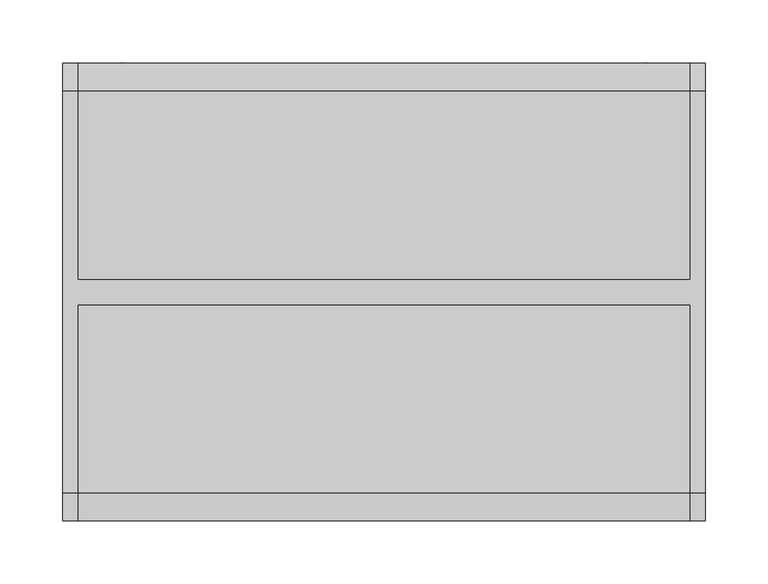
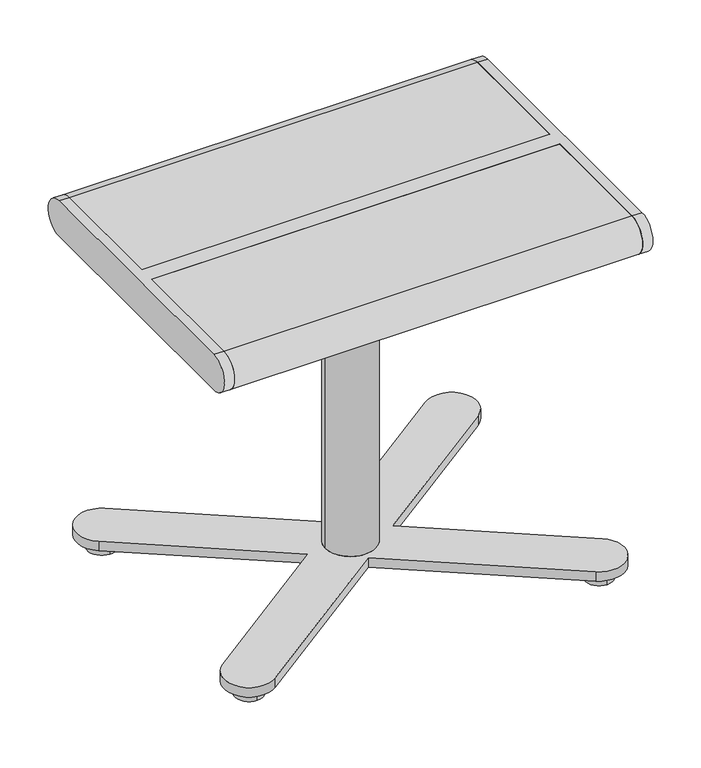
"""IFC4 building model written with IfcOpenShell, lengths in millimetres: furniture geometry."""

from ifc_helpers import new_model, si_unit, point, frame, frame_2d, origin, place, context, project, spatial, polyline, circle_curve, trimmed, segment, composite_curve, outline, extrude, source, transform, mapped, element, save
from ifc_brep_helpers import plane_surface, cylinder_surface, advanced_brep


def furniture_2c0731cf(model_context):
    return source(origin(), model_context, "Body", "SolidModel", [
        advanced_brep(
        [(257.0, -161.0, 405.0), (257.0, 160.0, 405.0), (257.0, 160.0, 450.0), (257.0, -161.0, 450.0), (245.0, -161.0, 405.0), (245.0, -161.0, 450.0), (245.0, -10.5, 450.0), (245.0, -10.5, 405.0), (245.0, 160.0, 450.0), (245.0, 160.0, 405.0), (245.0, 9.5, 405.0), (245.0, 9.5, 450.0), (-245.0, 9.5, 450.0), (-245.0, 160.0, 450.0), (-257.0, 160.0, 450.0), (-257.0, -161.0, 450.0), (-245.0, -161.0, 450.0), (-245.0, -10.5, 450.0), (-245.0, -10.5, 405.0), (-245.0, -161.0, 405.0), (-257.0, -161.0, 405.0), (-257.0, 160.0, 405.0), (-245.0, 160.0, 405.0), (-245.0, 9.5, 405.0)],
        [
            (0, 1),
            (1, 2, circle_curve(frame((257.0, 160.0, 427.5), z_axis=(1.0, 0.0, 0.0), x_axis=(0.0, 1.0, 0.0)), 22.5)),
            (2, 3),
            (3, 0, circle_curve(frame((257.0, -161.0, 427.5), z_axis=(1.0, 0.0, 0.0), x_axis=(0.0, -1.0, 0.0)), 22.5)),
            (4, 5, circle_curve(frame((245.0, -161.0, 427.5), z_axis=(-1.0, 0.0, 0.0), x_axis=(0.0, -1.0, 0.0)), 22.5)),
            (5, 6),
            (6, 7),
            (7, 4),
            (8, 9, circle_curve(frame((245.0, 160.0, 427.5), z_axis=(-1.0, 0.0, 0.0), x_axis=(0.0, 1.0, 0.0)), 22.5)),
            (9, 10),
            (10, 11),
            (11, 8),
            (2, 8),
            (11, 12),
            (12, 13),
            (13, 14),
            (14, 15),
            (15, 16),
            (16, 17),
            (17, 6),
            (5, 3),
            (0, 4),
            (7, 18),
            (18, 19),
            (19, 20),
            (20, 21),
            (21, 22),
            (22, 23),
            (23, 10),
            (9, 1),
            (17, 18),
            (23, 12),
            (22, 13, circle_curve(frame((-245.0, 160.0, 427.5), z_axis=(1.0, 0.0, 0.0), x_axis=(0.0, -1.0, 0.0)), 22.5)),
            (16, 19, circle_curve(frame((-245.0, -161.0, 427.5), z_axis=(1.0, 0.0, 0.0), x_axis=(0.0, -1.0, 0.0)), 22.5)),
            (20, 15, circle_curve(frame((-257.0, -161.0, 427.5), z_axis=(-1.0, 0.0, 0.0), x_axis=(0.0, -1.0, 0.0)), 22.5)),
            (14, 21, circle_curve(frame((-257.0, 160.0, 427.5), z_axis=(-1.0, 0.0, 0.0), x_axis=(0.0, -1.0, 0.0)), 22.5)),
        ],
        [
            plane_surface(frame((257.0, 160.0, 405.0), z_axis=(1.0, 0.0, 0.0), x_axis=(0.0, 1.0, 0.0))),
            plane_surface(frame((245.0, 160.0, 405.0), z_axis=(-1.0, 0.0, 0.0), x_axis=(0.0, -1.0, 0.0))),
            plane_surface(frame((257.0, 160.0, 450.0), z_axis=(0.0, 0.0, 1.0), x_axis=(-1.0, 0.0, 0.0))),
            plane_surface(frame((257.0, -161.0, 405.0), z_axis=(0.0, 0.0, -1.0), x_axis=(-1.0, 0.0, 0.0))),
            cylinder_surface(frame((245.0, -161.0, 427.5), z_axis=(1.0, 0.0, 0.0), x_axis=(0.0, -1.0, 0.0)), 22.5),
            cylinder_surface(frame((245.0, 160.0, 427.5), z_axis=(1.0, 0.0, 0.0), x_axis=(0.0, 1.0, 0.0)), 22.5),
            plane_surface(frame((245.0, -10.5, 450.0), z_axis=(0.0, -1.0, 0.0), x_axis=(-1.0, 0.0, 0.0))),
            plane_surface(frame((245.0, 9.5, 405.0), z_axis=(0.0, 1.0, 0.0), x_axis=(-1.0, 0.0, 0.0))),
            plane_surface(frame((-245.0, 160.0, 405.0), z_axis=(1.0, 0.0, 0.0), x_axis=(0.0, 1.0, 0.0))),
            plane_surface(frame((-257.0, 160.0, 405.0), z_axis=(-1.0, 0.0, 0.0), x_axis=(0.0, -1.0, 0.0))),
            cylinder_surface(frame((-257.0, -161.0, 427.5), z_axis=(1.0, 0.0, 0.0), x_axis=(0.0, -1.0, 0.0)), 22.5),
            cylinder_surface(frame((-257.0, 160.0, 427.5), z_axis=(1.0, 0.0, 0.0), x_axis=(0.0, -1.0, 0.0)), 22.5),
        ],
        [
            (0, [[1, 2, 3, 4]]),
            (1, [[5, 6, 7, 8]]),
            (1, [[9, 10, 11, 12]]),
            (2, [[-3, 13, -12, 14, 15, 16, 17, 18, 19, 20, -6, 21]]),
            (3, [[-1, 22, -8, 23, 24, 25, 26, 27, 28, 29, -10, 30]]),
            (4, [[-4, -21, -5, -22]]),
            (5, [[-2, -30, -9, -13]]),
            (6, [[-20, 31, -23, -7]]),
            (7, [[-14, -11, -29, 32]]),
            (8, [[33, -15, -32, -28]]),
            (8, [[34, -24, -31, -19]]),
            (9, [[35, -17, 36, -26]]),
            (10, [[-34, -18, -35, -25]]),
            (11, [[-33, -27, -36, -16]]),
        ],
    ),
        extrude(outline(composite_curve([segment(polyline([(9.5, 405.0), (9.5, 450.0), (160.0, 450.0)]), True, "CONTINUOUS"), segment(trimmed(circle_curve(frame_2d((160.0, 427.5)), 22.5), [point((160.0, 450.0))], [point((160.0, 405.0))], False, "CARTESIAN"), True, "CONTINUOUS"), segment(polyline([(160.0, 405.0), (9.5, 405.0)]), True, "CONTINUOUS")], self_intersect=False)), frame((-245.0, 0.0, 0.0), z_axis=(1.0, 0.0, 0.0), x_axis=(0.0, 1.0, 0.0)), (0.0, 0.0, 1.0), 490.0),
        extrude(outline(composite_curve([segment(polyline([(-10.5, 405.0), (-161.0, 405.0)]), True, "CONTINUOUS"), segment(trimmed(circle_curve(frame_2d((-161.0, 427.5)), 22.5), [point((-161.0, 405.0))], [point((-161.0, 450.0))], False, "CARTESIAN"), True, "CONTINUOUS"), segment(polyline([(-161.0, 450.0), (-10.5, 450.0), (-10.5, 405.0)]), True, "CONTINUOUS")], self_intersect=False)), frame((-245.0, 0.0, 0.0), z_axis=(1.0, 0.0, 0.0), x_axis=(0.0, 1.0, 0.0)), (0.0, 0.0, 1.0), 490.0),
        advanced_brep(
        [(-30.0, 0.0, 389.0), (-30.0, 0.0, 27.0), (30.0, 0.0, 27.0), (30.0, 0.0, 389.0), (75.0, -125.0, 405.0), (75.0, -125.0, 389.0), (75.0, 125.0, 389.0), (75.0, 125.0, 405.0), (-75.0, -125.0, 405.0), (-75.0, 125.0, 405.0), (-75.0, 125.0, 389.0), (-75.0, -125.0, 389.0), (-192.3342594, 177.2470949, 27.0), (-227.6657406, 128.7529051, 27.0), (-50.9460669, 0.0, 27.0), (-227.7132951, -128.787552, 27.0), (-192.381814, -177.2817418, 27.0), (0.0, -37.1178487, 27.0), (192.3775801, -177.2786571, 27.0), (227.7090612, -128.7844673, 27.0), (50.9460669, 0.0, 27.0), (227.6657406, 128.7529051, 27.0), (192.3342594, 177.2470949, 27.0), (0.0, 37.1178487, 27.0), (-192.3342594, 177.2470949, 15.0), (0.0, 37.1178487, 15.0), (192.3342594, 177.2470949, 15.0), (227.6657406, 128.7529051, 15.0), (50.9460669, 0.0, 15.0), (227.7090612, -128.7844673, 15.0), (192.3775801, -177.2786571, 15.0), (0.0, -37.1178487, 15.0), (-192.381814, -177.2817418, 15.0), (-227.7132951, -128.787552, 15.0), (-50.9460669, 0.0, 15.0), (-227.6657406, 128.7529051, 15.0), (-210.0, 170.0, 15.0), (-210.0, 136.0, 15.0), (210.0, 170.0, 15.0), (210.0, 136.0, 15.0), (-210.0, -170.0, 15.0), (-210.0, -136.0, 15.0), (210.0, -170.0, 15.0), (210.0, -136.0, 15.0), (-210.0, 170.0, 0.0), (-210.0, 136.0, 0.0), (210.0, 170.0, 0.0), (210.0, 136.0, 0.0), (-210.0, -170.0, 0.0), (-210.0, -136.0, 0.0), (210.0, -170.0, 0.0), (210.0, -136.0, 0.0)],
        [
            (0, 1),
            (1, 2, circle_curve(frame((0.0, 0.0, 27.0), z_axis=(0.0, 0.0, 1.0), x_axis=(1.0, 0.0, 0.0)), 30.0)),
            (2, 3),
            (3, 0, circle_curve(frame((0.0, 0.0, 389.0), z_axis=(0.0, 0.0, -1.0), x_axis=(1.0, 0.0, 0.0)), 30.0)),
            (0, 3, circle_curve(frame((0.0, 0.0, 389.0), z_axis=(0.0, 0.0, -1.0), x_axis=(1.0, 0.0, 0.0)), 30.0)),
            (2, 1, circle_curve(frame((0.0, 0.0, 27.0), z_axis=(0.0, 0.0, 1.0), x_axis=(1.0, 0.0, 0.0)), 30.0)),
            (4, 5),
            (5, 6),
            (6, 7),
            (7, 4),
            (8, 9),
            (9, 10),
            (10, 11),
            (11, 8),
            (4, 8),
            (11, 5),
            (10, 6),
            (9, 7),
            (12, 13, circle_curve(frame((-210.0, 153.0, 27.0), z_axis=(0.0, 0.0, 1.0), x_axis=(0.0, -1.0, 0.0)), 30.0)),
            (13, 14),
            (14, 15),
            (15, 16, circle_curve(frame((-210.0475545, -153.0346469, 27.0), z_axis=(0.0, 0.0, 1.0), x_axis=(1.0, 0.0, 0.0)), 30.0)),
            (16, 17),
            (17, 18),
            (18, 19, circle_curve(frame((210.0433207, -153.0315622, 27.0), z_axis=(0.0, 0.0, 1.0), x_axis=(1.0, 0.0, 0.0)), 30.0)),
            (19, 20),
            (20, 21),
            (21, 22, circle_curve(frame((210.0, 153.0, 27.0), z_axis=(0.0, 0.0, 1.0), x_axis=(0.0, -1.0, 0.0)), 30.0)),
            (22, 23),
            (23, 12),
            (24, 25),
            (25, 26),
            (26, 27, circle_curve(frame((210.0, 153.0, 15.0), z_axis=(0.0, 0.0, -1.0), x_axis=(0.0, -1.0, 0.0)), 30.0)),
            (27, 28),
            (28, 29),
            (29, 30, circle_curve(frame((210.0433207, -153.0315622, 15.0), z_axis=(0.0, 0.0, -1.0), x_axis=(1.0, 0.0, 0.0)), 30.0)),
            (30, 31),
            (31, 32),
            (32, 33, circle_curve(frame((-210.0475545, -153.0346469, 15.0), z_axis=(0.0, 0.0, -1.0), x_axis=(1.0, 0.0, 0.0)), 30.0)),
            (33, 34),
            (34, 35),
            (35, 24, circle_curve(frame((-210.0, 153.0, 15.0), z_axis=(0.0, 0.0, -1.0), x_axis=(0.0, -1.0, 0.0)), 30.0)),
            (36, 37, circle_curve(frame((-210.0, 153.0, 15.0), z_axis=(0.0, 0.0, 1.0), x_axis=(0.0, -1.0, 0.0)), 17.0)),
            (37, 36, circle_curve(frame((-210.0, 153.0, 15.0), z_axis=(0.0, 0.0, 1.0), x_axis=(0.0, -1.0, 0.0)), 17.0)),
            (38, 39, circle_curve(frame((210.0, 153.0, 15.0), z_axis=(0.0, 0.0, 1.0), x_axis=(0.0, -1.0, 0.0)), 17.0)),
            (39, 38, circle_curve(frame((210.0, 153.0, 15.0), z_axis=(0.0, 0.0, 1.0), x_axis=(0.0, -1.0, 0.0)), 17.0)),
            (40, 41, circle_curve(frame((-210.0, -153.0, 15.0), z_axis=(0.0, 0.0, 1.0), x_axis=(0.0, 1.0, 0.0)), 17.0)),
            (41, 40, circle_curve(frame((-210.0, -153.0, 15.0), z_axis=(0.0, 0.0, 1.0), x_axis=(0.0, 1.0, 0.0)), 17.0)),
            (42, 43, circle_curve(frame((210.0, -153.0, 15.0), z_axis=(0.0, 0.0, 1.0), x_axis=(0.0, 1.0, 0.0)), 17.0)),
            (43, 42, circle_curve(frame((210.0, -153.0, 15.0), z_axis=(0.0, 0.0, 1.0), x_axis=(0.0, 1.0, 0.0)), 17.0)),
            (12, 24),
            (35, 13),
            (34, 14),
            (33, 15),
            (16, 32),
            (31, 17),
            (30, 18),
            (19, 29),
            (28, 20),
            (27, 21),
            (26, 22),
            (25, 23),
            (44, 45, circle_curve(frame((-210.0, 153.0, 0.0), z_axis=(0.0, 0.0, -1.0), x_axis=(0.0, -1.0, 0.0)), 17.0)),
            (45, 44, circle_curve(frame((-210.0, 153.0, 0.0), z_axis=(0.0, 0.0, -1.0), x_axis=(0.0, -1.0, 0.0)), 17.0)),
            (46, 47, circle_curve(frame((210.0, 153.0, 0.0), z_axis=(0.0, 0.0, -1.0), x_axis=(0.0, -1.0, 0.0)), 17.0)),
            (47, 46, circle_curve(frame((210.0, 153.0, 0.0), z_axis=(0.0, 0.0, -1.0), x_axis=(0.0, -1.0, 0.0)), 17.0)),
            (48, 49, circle_curve(frame((-210.0, -153.0, 0.0), z_axis=(0.0, 0.0, -1.0), x_axis=(0.0, 1.0, 0.0)), 17.0)),
            (49, 48, circle_curve(frame((-210.0, -153.0, 0.0), z_axis=(0.0, 0.0, -1.0), x_axis=(0.0, 1.0, 0.0)), 17.0)),
            (50, 51, circle_curve(frame((210.0, -153.0, 0.0), z_axis=(0.0, 0.0, -1.0), x_axis=(0.0, 1.0, 0.0)), 17.0)),
            (51, 50, circle_curve(frame((210.0, -153.0, 0.0), z_axis=(0.0, 0.0, -1.0), x_axis=(0.0, 1.0, 0.0)), 17.0)),
            (45, 37),
            (36, 44),
            (47, 39),
            (38, 46),
            (49, 41),
            (40, 48),
            (51, 43),
            (42, 50),
        ],
        [
            cylinder_surface(frame((0.0, 0.0, 27.0), z_axis=(0.0, 0.0, 1.0), x_axis=(1.0, 0.0, 0.0)), 30.0),
            plane_surface(frame((75.0, -125.0, 405.0), z_axis=(1.0, 0.0, 0.0), x_axis=(0.0, 0.0, -1.0))),
            plane_surface(frame((-75.0, -125.0, 405.0), z_axis=(-1.0, 0.0, 0.0), x_axis=(0.0, 0.0, 1.0))),
            plane_surface(frame((75.0, -125.0, 405.0), z_axis=(0.0, -1.0, 0.0), x_axis=(-1.0, 0.0, 0.0))),
            plane_surface(frame((75.0, -125.0, 389.0), z_axis=(0.0, 0.0, -1.0), x_axis=(-1.0, 0.0, 0.0))),
            plane_surface(frame((75.0, 125.0, 389.0), z_axis=(0.0, 1.0, 0.0), x_axis=(-1.0, 0.0, 0.0))),
            plane_surface(frame((75.0, 125.0, 405.0), z_axis=(0.0, 0.0, 1.0), x_axis=(-1.0, 0.0, 0.0))),
            plane_surface(frame((-210.0, 123.0, 27.0), z_axis=(0.0, 0.0, 1.0), x_axis=(1.0, 0.0, 0.0))),
            plane_surface(frame((-210.0, 123.0, 15.0), z_axis=(0.0, 0.0, -1.0), x_axis=(-1.0, 0.0, 0.0))),
            cylinder_surface(frame((-210.0, 153.0, 15.0), z_axis=(0.0, 0.0, 1.0), x_axis=(0.0, -1.0, 0.0)), 30.0),
            plane_surface(frame((-227.6657406, 128.7529051, 27.0), z_axis=(-0.5888580186806589, -0.8082364962283557, 0.0), x_axis=(0.0, 0.0, -1.0))),
            plane_surface(frame((-50.9460669, 0.0, 27.0), z_axis=(-0.5888580186806588, 0.8082364962283558, 0.0), x_axis=(0.0, 0.0, -1.0))),
            plane_surface(frame((-192.381814, -177.2817418, 27.0), z_axis=(0.5888580186806593, -0.8082364962283555, 0.0), x_axis=(0.0, 0.0, -1.0))),
            plane_surface(frame((0.0, -37.1178487, 27.0), z_axis=(-0.5888580186806596, -0.8082364962283553, 0.0), x_axis=(0.0, 0.0, -1.0))),
            plane_surface(frame((227.7090612, -128.7844673, 27.0), z_axis=(0.5888580186806593, 0.8082364962283555, 0.0), x_axis=(0.0, 0.0, -1.0))),
            plane_surface(frame((50.9460669, 0.0, 27.0), z_axis=(0.5888580186806591, -0.8082364962283555, 0.0), x_axis=(0.0, 0.0, -1.0))),
            cylinder_surface(frame((210.0, 153.0, 15.0), z_axis=(0.0, 0.0, 1.0), x_axis=(0.0, -1.0, 0.0)), 30.0),
            plane_surface(frame((192.3342594, 177.2470949, 27.0), z_axis=(-0.5888580186806589, 0.8082364962283557, 0.0), x_axis=(0.0, 0.0, -1.0))),
            plane_surface(frame((0.0, 37.1178487, 27.0), z_axis=(0.5888580186806599, 0.808236496228355, 0.0), x_axis=(0.0, 0.0, -1.0))),
            cylinder_surface(frame((-210.0475545, -153.0346469, 15.0), z_axis=(0.0, 0.0, 1.0), x_axis=(1.0, 0.0, 0.0)), 30.0),
            cylinder_surface(frame((210.0433207, -153.0315622, 15.0), z_axis=(0.0, 0.0, 1.0), x_axis=(1.0, 0.0, 0.0)), 30.0),
            plane_surface(frame((-210.0, 136.0, 0.0), z_axis=(0.0, 0.0, -1.0), x_axis=(-1.0, 0.0, 0.0))),
            cylinder_surface(frame((-210.0, 153.0, 0.0), z_axis=(0.0, 0.0, 1.0), x_axis=(0.0, -1.0, 0.0)), 17.0),
            cylinder_surface(frame((210.0, 153.0, 0.0), z_axis=(0.0, 0.0, 1.0), x_axis=(0.0, -1.0, 0.0)), 17.0),
            cylinder_surface(frame((-210.0, -153.0, 0.0), z_axis=(0.0, 0.0, 1.0), x_axis=(0.0, 1.0, 0.0)), 17.0),
            cylinder_surface(frame((210.0, -153.0, 0.0), z_axis=(0.0, 0.0, 1.0), x_axis=(0.0, 1.0, 0.0)), 17.0),
        ],
        [
            (0, [[1, 2, 3, 4]]),
            (0, [[-1, 5, -3, 6]]),
            (1, [[7, 8, 9, 10]]),
            (2, [[11, 12, 13, 14]]),
            (3, [[-7, 15, -14, 16]]),
            (4, [[-8, -16, -13, 17], [-4, -5]]),
            (5, [[-9, -17, -12, 18]]),
            (6, [[-10, -18, -11, -15]]),
            (7, [[19, 20, 21, 22, 23, 24, 25, 26, 27, 28, 29, 30], [-2, -6]]),
            (8, [[31, 32, 33, 34, 35, 36, 37, 38, 39, 40, 41, 42], [43, 44], [45, 46], [47, 48], [49, 50]]),
            (9, [[-19, 51, -42, 52]]),
            (10, [[-20, -52, -41, 53]]),
            (11, [[-21, -53, -40, 54]]),
            (12, [[-23, 55, -38, 56]]),
            (13, [[-24, -56, -37, 57]]),
            (14, [[-26, 58, -35, 59]]),
            (15, [[-27, -59, -34, 60]]),
            (16, [[-28, -60, -33, 61]]),
            (17, [[-29, -61, -32, 62]]),
            (18, [[-30, -62, -31, -51]]),
            (19, [[-22, -54, -39, -55]]),
            (20, [[-25, -57, -36, -58]]),
            (21, [[63, 64]]),
            (21, [[65, 66]]),
            (21, [[67, 68]]),
            (21, [[69, 70]]),
            (22, [[-64, 71, -43, 72]]),
            (22, [[-63, -72, -44, -71]]),
            (23, [[-66, 73, -45, 74]]),
            (23, [[-65, -74, -46, -73]]),
            (24, [[-68, 75, -47, 76]]),
            (24, [[-67, -76, -48, -75]]),
            (25, [[-70, 77, -49, 78]]),
            (25, [[-69, -78, -50, -77]]),
        ],
    ),
    ])


if __name__ == "__main__":
    model = new_model("IFC4")
    model_context = context("Model", 3, world=origin())
    ifc_project = project(units=[si_unit("LENGTHUNIT", "METRE", prefix="MILLI")], contexts=[model_context])
    site = spatial("IfcSite", under=ifc_project)
    building = spatial("IfcBuilding", under=site)
    placement = place(None, origin())
    furniture_shape = furniture_2c0731cf(model_context)
    element("IfcFurniture", 1, at=placement, inside=building, context=model_context, shape_type="MappedRepresentation", body=[
        mapped(furniture_shape, transform((0.0, 0.0, 0.0), x_axis=(1.0, 0.0, 0.0), y_axis=(0.0, 1.0, 0.0), z_axis=(0.0, 0.0, 1.0))),
    ])
    save(model, "model.ifc")
